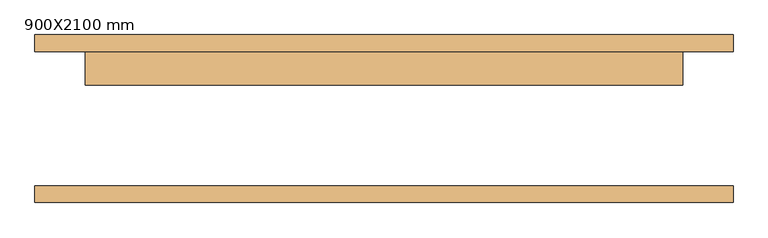
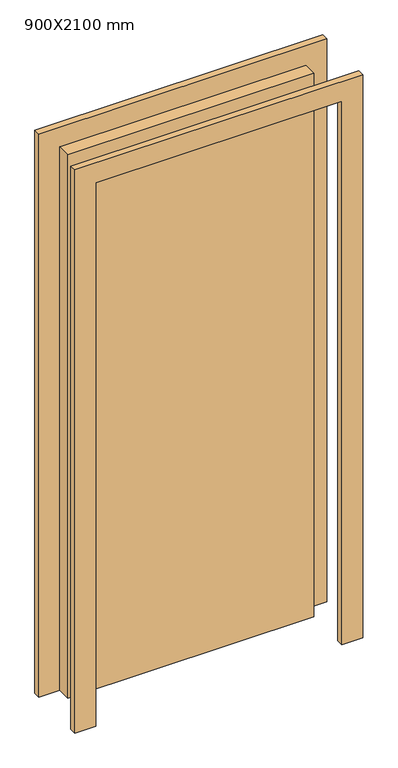
"""IFC4 building model written with IfcOpenShell, lengths in millimetres: door geometry, 900X2100 mm."""

from ifc_helpers import new_model, si_unit, frame, origin, origin_with_axes, place, context, project, spatial, polyline, outline, extrude, source, transform, mapped, element, save


def door_900x2100_mm_1dd2fd7d(model_context):
    return source(origin(), model_context, "Body", "SweptSolid", [
        extrude(outline(polyline([(2176.0, -526.0), (0.0, -526.0), (0.0, -450.0), (2100.0, -450.0), (2100.0, 450.0), (0.0, 450.0), (0.0, 526.0), (2176.0, 526.0), (2176.0, -526.0)])), frame((0.0, 101.6, 0.0), z_axis=(0.0, 1.0, 0.0), x_axis=(0.0, 0.0, 1.0)), (0.0, 0.0, 1.0), 25.0),
        extrude(outline(polyline([(2176.0, 526.0), (2176.0, -526.0), (0.0, -526.0), (0.0, -450.0), (2100.0, -450.0), (2100.0, 450.0), (0.0, 450.0), (0.0, 526.0), (2176.0, 526.0)])), frame((0.0, -126.6, 0.0), z_axis=(0.0, 1.0, 0.0), x_axis=(0.0, 0.0, 1.0)), (0.0, 0.0, 1.0), 25.0),
        extrude(outline(polyline([(450.0, 50.6), (-450.0, 50.6), (-450.0, 101.6), (450.0, 101.6), (450.0, 50.6)])), origin_with_axes(), (0.0, 0.0, 1.0), 2100.0),
    ])


if __name__ == "__main__":
    model = new_model("IFC4")
    model_context = context("Model", 3, world=origin())
    ifc_project = project(units=[si_unit("LENGTHUNIT", "METRE", prefix="MILLI")], contexts=[model_context])
    site = spatial("IfcSite", under=ifc_project)
    building = spatial("IfcBuilding", under=site)
    placement = place(None, origin())
    door_900x2100_mm_shape = door_900x2100_mm_1dd2fd7d(model_context)
    element("IfcDoor", 1, ObjectType="900X2100 mm", at=placement, inside=building, context=model_context, shape_type="MappedRepresentation", body=[
        mapped(door_900x2100_mm_shape, transform((0.0, 0.0, 0.0), x_axis=(1.0, 0.0, 0.0), y_axis=(0.0, 1.0, 0.0), z_axis=(0.0, 0.0, 1.0))),
    ])
    save(model, "model.ifc")
